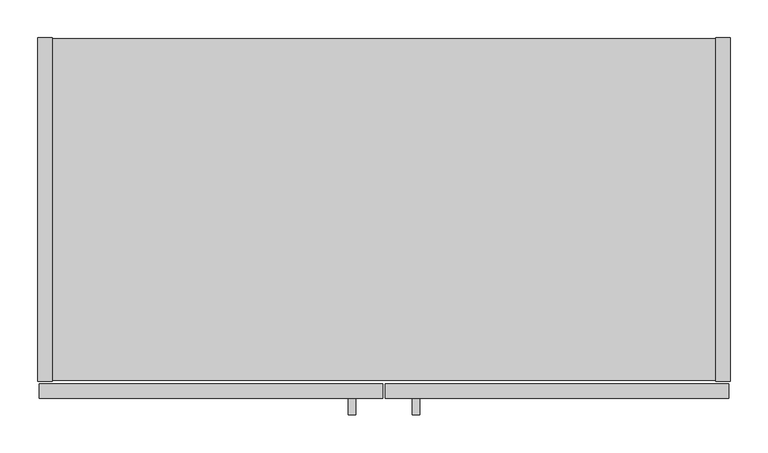
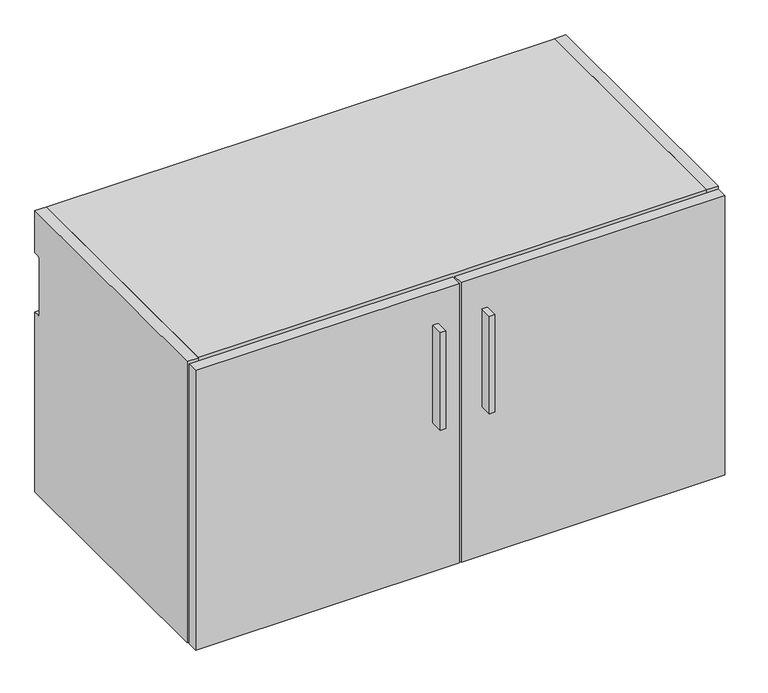
"""IFC4 building model written with IfcOpenShell, lengths in millimetres: furniture geometry."""

from ifc_helpers import new_model, si_unit, point, frame, frame_2d, origin, place, context, project, spatial, polyline, circle_curve, trimmed, segment, composite_curve, outline, extrude, source, transform, mapped, element, save


def furniture_3c49cd36(model_context):
    return source(origin(), model_context, "Body", "SweptSolid", [
        extrude(outline(polyline([(419.7338631, -498.729), (410.2088631, -498.729), (410.2088631, -476.504), (419.7338631, -476.504), (419.7338631, -498.729)])), frame((0.0, 0.0, 596.9), z_axis=(0.0, 0.0, 1.0), x_axis=(1.0, 0.0, 0.0)), (0.0, 0.0, 1.0), 177.8),
        extrude(outline(polyline([(504.1888631, -498.729), (494.6638631, -498.729), (494.6638631, -476.504), (504.1888631, -476.504), (504.1888631, -498.729)])), frame((0.0, 0.0, 596.9), z_axis=(0.0, 0.0, 1.0), x_axis=(1.0, 0.0, 0.0)), (0.0, 0.0, 1.0), 177.8),
        extrude(outline(polyline([(455.6125, -476.504), (1.5875, -476.504), (1.5875, -457.2), (455.6125, -457.2), (455.6125, -476.504)])), frame((0.0, 0.0, 325.628), z_axis=(0.0, 0.0, 1.0), x_axis=(1.0, 0.0, 0.0)), (0.0, 0.0, 1.0), 509.397),
        extrude(outline(polyline([(912.8125, -476.504), (458.7875, -476.504), (458.7875, -457.2), (912.8125, -457.2), (912.8125, -476.504)])), frame((0.0, 0.0, 325.628), z_axis=(0.0, 0.0, 1.0), x_axis=(1.0, 0.0, 0.0)), (0.0, 0.0, 1.0), 509.397),
        extrude(outline(composite_curve([segment(polyline([(-454.025, 838.2), (0.0, 838.2), (0.0, 761.492), (-9.3963729, 761.492)]), True, "CONTINUOUS"), segment(trimmed(circle_curve(frame_2d((-9.3963729, 758.1883729)), 3.3036271), [point((-9.3963729, 761.492))], [point((-12.7, 758.1883729))], True, "CARTESIAN"), True, "CONTINUOUS"), segment(polyline([(-12.7, 758.1883729), (-12.7, 656.844)]), True, "CONTINUOUS"), segment(trimmed(circle_curve(frame_2d((-9.398, 656.844)), 3.302), [point((-12.7, 656.844))], [point((-9.398, 653.542))], True, "CARTESIAN"), True, "CONTINUOUS"), segment(polyline([(-9.398, 653.542), (0.0, 653.542), (0.0, 325.628), (-454.025, 325.628), (-454.025, 838.2)]), True, "CONTINUOUS")], self_intersect=False)), frame((895.096, 0.0, 0.0), z_axis=(1.0, 0.0, 0.0), x_axis=(0.0, 1.0, 0.0)), (0.0, 0.0, 1.0), 19.304),
        extrude(outline(polyline([(895.096, -0.9906), (895.096, -453.0344), (19.304, -453.0344), (19.304, -0.9906), (895.096, -0.9906)])), frame((0.0, 0.0, 326.6186), z_axis=(0.0, 0.0, 1.0), x_axis=(1.0, 0.0, 0.0)), (0.0, 0.0, 1.0), 19.304),
        extrude(outline(composite_curve([segment(polyline([(-32.004, 818.896), (-11.938, 818.896), (-11.938, 760.2988429)]), True, "CONTINUOUS"), segment(trimmed(circle_curve(frame_2d((-9.3963729, 758.1883729)), 3.3036271), [point((-11.938, 760.2988429))], [point((-12.7, 758.1883729))], True, "CARTESIAN"), True, "CONTINUOUS"), segment(polyline([(-12.7, 758.1883729), (-12.7, 656.844)]), True, "CONTINUOUS"), segment(trimmed(circle_curve(frame_2d((-9.398, 656.844)), 3.302), [point((-12.7, 656.844))], [point((-11.938, 654.7341175))], True, "CARTESIAN"), True, "CONTINUOUS"), segment(polyline([(-11.938, 654.7341175), (-11.938, 345.9226), (-32.004, 345.9226), (-32.004, 818.896)]), True, "CONTINUOUS")], self_intersect=False)), frame((19.304, 0.0, 0.0), z_axis=(1.0, 0.0, 0.0), x_axis=(0.0, 1.0, 0.0)), (0.0, 0.0, 1.0), 875.792),
        extrude(outline(composite_curve([segment(polyline([(-454.025, 838.2), (0.0, 838.2), (0.0, 761.492), (-9.3963729, 761.492)]), True, "CONTINUOUS"), segment(trimmed(circle_curve(frame_2d((-9.3963729, 758.1883729)), 3.3036271), [point((-9.3963729, 761.492))], [point((-12.7, 758.1883729))], True, "CARTESIAN"), True, "CONTINUOUS"), segment(polyline([(-12.7, 758.1883729), (-12.7, 656.844)]), True, "CONTINUOUS"), segment(trimmed(circle_curve(frame_2d((-9.398, 656.844)), 3.302), [point((-12.7, 656.844))], [point((-9.398, 653.542))], True, "CARTESIAN"), True, "CONTINUOUS"), segment(polyline([(-9.398, 653.542), (0.0, 653.542), (0.0, 325.628), (-454.025, 325.628), (-454.025, 838.2)]), True, "CONTINUOUS")], self_intersect=False)), frame((0.0, 0.0, 0.0), z_axis=(1.0, 0.0, 0.0), x_axis=(0.0, 1.0, 0.0)), (0.0, 0.0, 1.0), 19.304),
        extrude(outline(polyline([(895.096, -453.0344), (19.304, -453.0344), (19.304, -0.9906), (895.096, -0.9906), (895.096, -453.0344)])), frame((0.0, 0.0, 818.896), z_axis=(0.0, 0.0, 1.0), x_axis=(1.0, 0.0, 0.0)), (0.0, 0.0, 1.0), 19.304),
    ])


if __name__ == "__main__":
    model = new_model("IFC4")
    model_context = context("Model", 3, world=origin())
    ifc_project = project(units=[si_unit("LENGTHUNIT", "METRE", prefix="MILLI")], contexts=[model_context])
    site = spatial("IfcSite", under=ifc_project)
    building = spatial("IfcBuilding", under=site)
    placement = place(None, origin())
    furniture_shape = furniture_3c49cd36(model_context)
    element("IfcFurniture", 1, at=placement, inside=building, context=model_context, shape_type="MappedRepresentation", body=[
        mapped(furniture_shape, transform((0.0, 0.0, 0.0), x_axis=(1.0, 0.0, 0.0), y_axis=(0.0, 1.0, 0.0), z_axis=(0.0, 0.0, 1.0))),
    ])
    save(model, "model.ifc")
